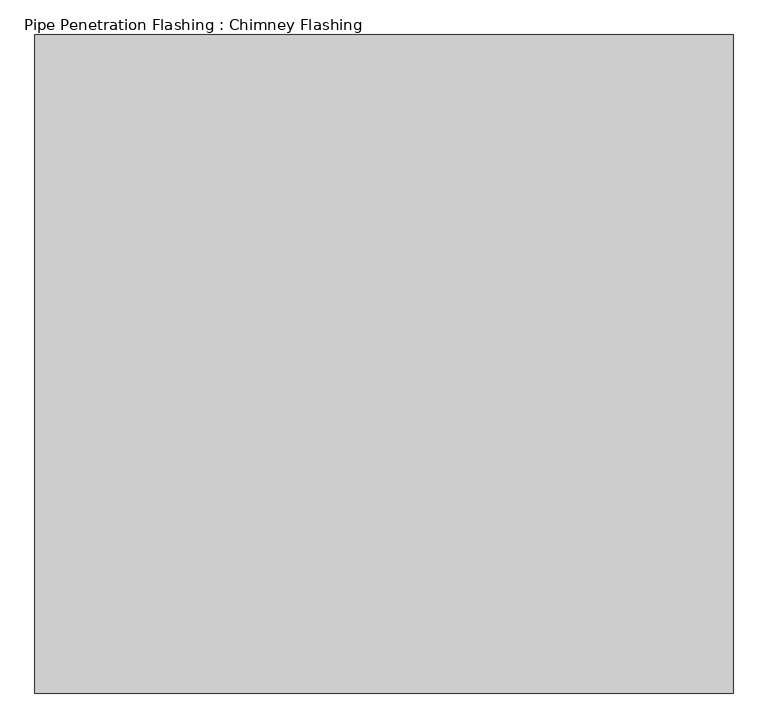
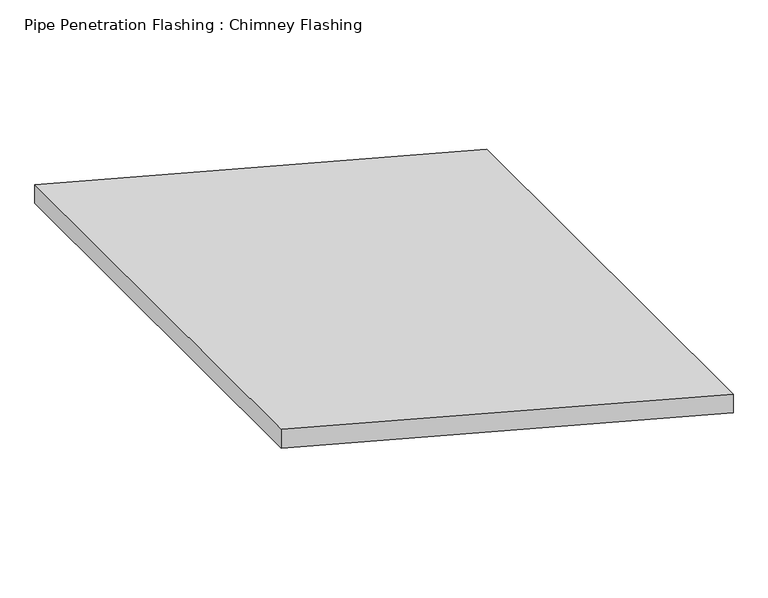
"""IFC4 building model written with IfcOpenShell, lengths in millimetres: proxy geometry, Pipe Penetration Flashing : Chimney Flashing."""

from ifc_helpers import new_model, si_unit, frame, origin, place, context, project, spatial, polyline, outline, extrude, source, transform, mapped, element, save


def pipe_penetration_flashing_chimney_flashing_ff405490(model_context):
    return source(origin(), model_context, "Body", "SweptSolid", [
        extrude(outline(polyline([(5918.6213183, 4682.178133), (5965.2087464, 4682.178133), (6247.9654108, 3626.9158954), (6201.3779827, 3626.9158954), (5918.6213183, 4682.178133)])), frame((0.0, 3429.0928785, 0.0), z_axis=(0.0, 1.0, 0.0), x_axis=(0.0, 0.0, 1.0)), (0.0, 0.0, 1.0), 995.453438),
    ])


if __name__ == "__main__":
    model = new_model("IFC4")
    model_context = context("Model", 3, world=origin())
    ifc_project = project(units=[si_unit("LENGTHUNIT", "METRE", prefix="MILLI")], contexts=[model_context])
    site = spatial("IfcSite", under=ifc_project)
    building = spatial("IfcBuilding", under=site)
    placement = place(None, origin())
    pipe_penetration_flashing_chimney_flashing_shape = pipe_penetration_flashing_chimney_flashing_ff405490(model_context)
    element("IfcBuildingElementProxy", 1, Name="Pipe Penetration Flashing : Chimney Flashing", ObjectType="Pipe Penetration Flashing : Chimney Flashing", at=placement, inside=building, context=model_context, shape_type="MappedRepresentation", body=[
        mapped(pipe_penetration_flashing_chimney_flashing_shape, transform((0.0, 0.0, 0.0), x_axis=(1.0, 0.0, 0.0), y_axis=(0.0, 1.0, 0.0), z_axis=(0.0, 0.0, 1.0))),
    ])
    save(model, "model.ifc")
